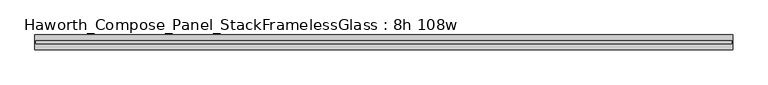
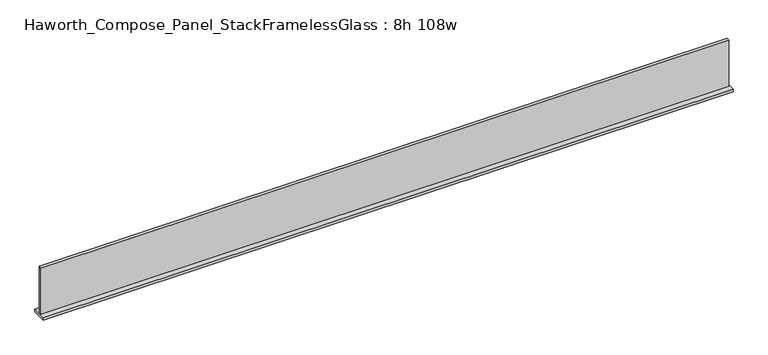
"""IFC4 building model written with IfcOpenShell, lengths in millimetres: furniture geometry, Haworth_Compose_Panel_StackFramelessGlass : 8h 108w."""

from ifc_helpers import new_model, si_unit, frame, origin, place, context, project, spatial, polyline, outline, extrude, source, transform, mapped, element, save


def haworth_compose_panel_stackframelessglass_8h_108w_d4a2ef07(model_context):
    return source(origin(), model_context, "Body", "SweptSolid", [
        extrude(outline(polyline([(1370.8652902, -27.3093594), (-1365.9847098, -27.3093594), (-1365.9847098, -14.6093594), (1370.8652902, -14.6093594), (1370.8652902, -27.3093594)])), frame((0.0, 0.0, 1279.525), z_axis=(0.0, 0.0, 1.0), x_axis=(1.0, 0.0, 0.0)), (0.0, 0.0, 1.0), 193.675),
        extrude(outline(polyline([(-1369.1597098, -50.3281094), (-1369.1597098, 8.4093906), (1374.0402902, 8.4093906), (1374.0402902, -50.3281094), (-1369.1597098, -50.3281094)])), frame((0.0, 0.0, 1270.0), z_axis=(0.0, 0.0, 1.0), x_axis=(1.0, 0.0, 0.0)), (0.0, 0.0, 1.0), 9.525),
    ])


if __name__ == "__main__":
    model = new_model("IFC4")
    model_context = context("Model", 3, world=origin())
    ifc_project = project(units=[si_unit("LENGTHUNIT", "METRE", prefix="MILLI")], contexts=[model_context])
    site = spatial("IfcSite", under=ifc_project)
    building = spatial("IfcBuilding", under=site)
    placement = place(None, origin())
    haworth_compose_panel_stackframelessglass_8h_108w_shape = haworth_compose_panel_stackframelessglass_8h_108w_d4a2ef07(model_context)
    element("IfcFurniture", 1, ObjectType="Haworth_Compose_Panel_StackFramelessGlass : 8h 108w", at=placement, inside=building, context=model_context, shape_type="MappedRepresentation", body=[
        mapped(haworth_compose_panel_stackframelessglass_8h_108w_shape, transform((0.0, 0.0, 0.0), x_axis=(1.0, 0.0, 0.0), y_axis=(0.0, 1.0, 0.0), z_axis=(0.0, 0.0, 1.0))),
    ])
    save(model, "model.ifc")
